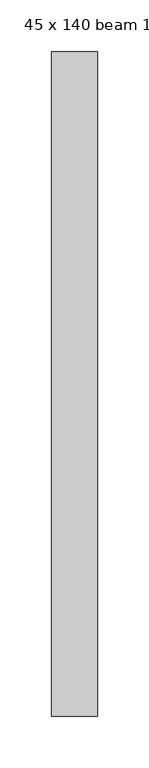
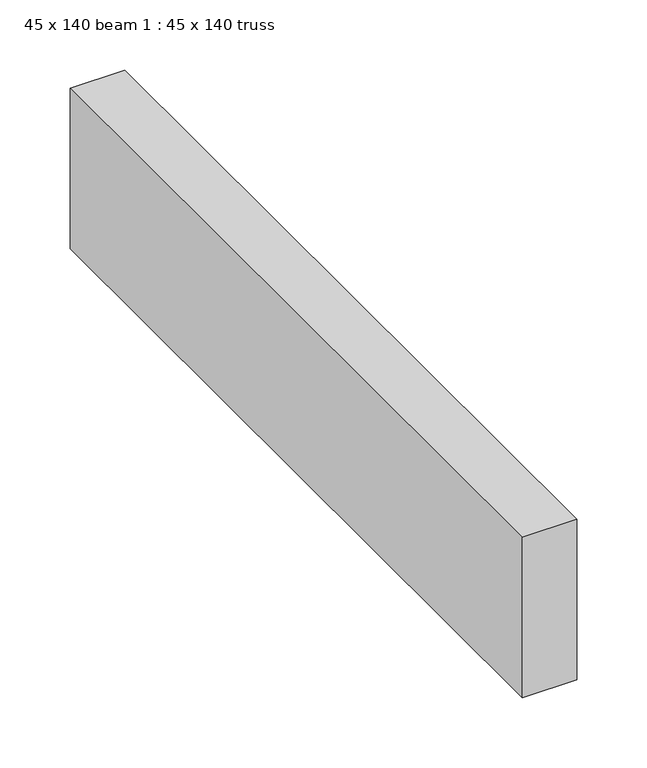
"""IFC4 building model written with IfcOpenShell, lengths in millimetres: proxy geometry, 45 x 140 beam 1 : 45 x 140 truss."""

from ifc_helpers import new_model, si_unit, frame, origin, place, context, project, spatial, polyline, outline, extrude, source, transform, mapped, element, save


def proxy_45_x_140_beam_1_45_x_140_truss_b288a78f(model_context):
    return source(origin(), model_context, "Body", "SweptSolid", [
        extrude(outline(polyline([(-11600.8421646, -1339.0060744), (-11645.8421646, -1339.0060744), (-11645.8421646, -694.0060744), (-11600.8421646, -694.0060744), (-11600.8421646, -1339.0060744)])), frame((0.0, 0.0, 3644.2452806), z_axis=(0.0, 0.0, 1.0), x_axis=(1.0, 0.0, 0.0)), (0.0, 0.0, 1.0), 140.0),
    ])


if __name__ == "__main__":
    model = new_model("IFC4")
    model_context = context("Model", 3, world=origin())
    ifc_project = project(units=[si_unit("LENGTHUNIT", "METRE", prefix="MILLI")], contexts=[model_context])
    site = spatial("IfcSite", under=ifc_project)
    building = spatial("IfcBuilding", under=site)
    placement = place(None, origin())
    proxy_45_x_140_beam_1_45_x_140_truss_shape = proxy_45_x_140_beam_1_45_x_140_truss_b288a78f(model_context)
    element("IfcBuildingElementProxy", 1, Name="45 x 140 beam 1 : 45 x 140 truss", ObjectType="45 x 140 beam 1 : 45 x 140 truss", at=placement, inside=building, context=model_context, shape_type="MappedRepresentation", body=[
        mapped(proxy_45_x_140_beam_1_45_x_140_truss_shape, transform((0.0, 0.0, 0.0), x_axis=(1.0, 0.0, 0.0), y_axis=(0.0, 1.0, 0.0), z_axis=(0.0, 0.0, 1.0))),
    ])
    save(model, "model.ifc")
